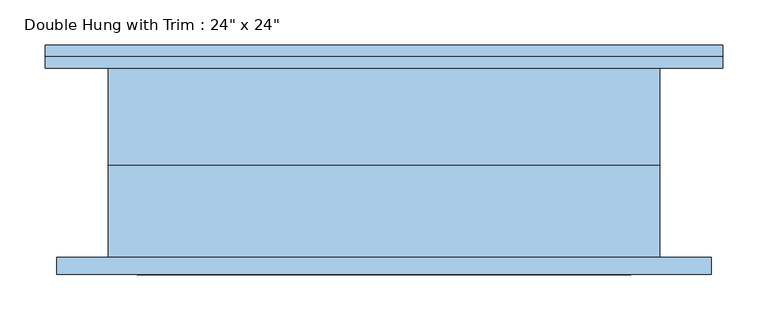
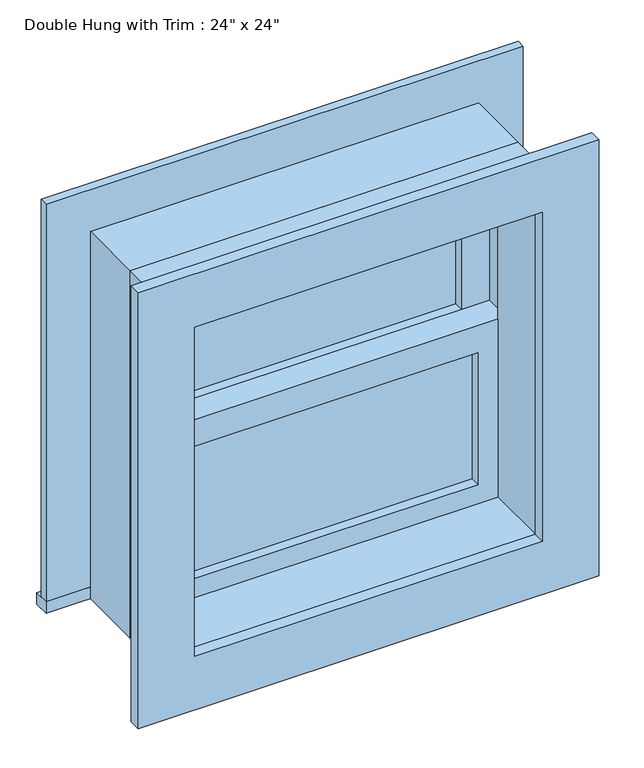
"""IFC4 building model written with IfcOpenShell, lengths in millimetres: window geometry."""

from ifc_helpers import new_model, si_unit, frame, origin, place, context, project, spatial, polyline, outline, extrude, source, transform, mapped, element, save


def window_641b191e(model_context):
    return source(origin(), model_context, "Body", "SweptSolid", [
        extrude(outline(polyline([(-241.3, 25.4), (241.3, 25.4), (241.3, 12.7), (-241.3, 12.7), (-241.3, 25.4)])), frame((0.0, 0.0, 977.9), z_axis=(0.0, 0.0, 1.0), x_axis=(1.0, 0.0, 0.0)), (0.0, 0.0, 1.0), 219.075),
        extrude(outline(polyline([(1241.425, -285.75), (933.45, -285.75), (933.45, 285.75), (1241.425, 285.75), (1241.425, -285.75)]), holes=[polyline([(1196.975, -241.3), (1196.975, 241.3), (977.9, 241.3), (977.9, -241.3), (1196.975, -241.3)])]), frame((0.0, -3.175, 0.0), z_axis=(0.0, 1.0, 0.0), x_axis=(0.0, 0.0, 1.0)), (0.0, 0.0, 1.0), 44.45),
        extrude(outline(polyline([(-374.65, 130.175), (374.65, 130.175), (374.65, 104.775), (-374.65, 104.775), (-374.65, 130.175)])), frame((0.0, 0.0, 914.4), z_axis=(0.0, 0.0, 1.0), x_axis=(1.0, 0.0, 0.0)), (0.0, 0.0, 1.0), 19.05),
        extrude(outline(polyline([(1504.95, -285.75), (1504.95, 285.75), (933.45, 285.75), (933.45, 374.65), (1593.85, 374.65), (1593.85, -374.65), (933.45, -374.65), (933.45, -285.75), (1504.95, -285.75)])), frame((0.0, 104.775, 0.0), z_axis=(0.0, 1.0, 0.0), x_axis=(0.0, 0.0, 1.0)), (0.0, 0.0, 1.0), 12.7),
        extrude(outline(polyline([(1581.15, 361.95), (1581.15, -361.95), (857.25, -361.95), (857.25, 361.95), (1581.15, 361.95)]), holes=[polyline([(1492.25, 273.05), (946.15, 273.05), (946.15, -273.05), (1492.25, -273.05), (1492.25, 273.05)])]), frame((0.0, -123.825, 0.0), z_axis=(0.0, 1.0, 0.0), x_axis=(0.0, 0.0, 1.0)), (0.0, 0.0, 1.0), 19.05),
        extrude(outline(polyline([(241.3, 57.15), (-241.3, 57.15), (-241.3, 69.85), (241.3, 69.85), (241.3, 57.15)])), frame((0.0, 0.0, 1241.425), z_axis=(0.0, 0.0, 1.0), x_axis=(1.0, 0.0, 0.0)), (0.0, 0.0, 1.0), 219.075),
        extrude(outline(polyline([(1504.95, -285.75), (1196.975, -285.75), (1196.975, 285.75), (1504.95, 285.75), (1504.95, -285.75)]), holes=[polyline([(1460.5, -241.3), (1460.5, 241.3), (1241.425, 241.3), (1241.425, -241.3), (1460.5, -241.3)])]), frame((0.0, 41.275, 0.0), z_axis=(0.0, 1.0, 0.0), x_axis=(0.0, 0.0, 1.0)), (0.0, 0.0, 1.0), 44.45),
        extrude(outline(polyline([(1524.0, -304.8), (914.4, -304.8), (914.4, 304.8), (1524.0, 304.8), (1524.0, -304.8)]), holes=[polyline([(1492.25, -273.05), (1492.25, 273.05), (946.15, 273.05), (946.15, -273.05), (1492.25, -273.05)])]), frame((0.0, -104.775, 0.0), z_axis=(0.0, 1.0, 0.0), x_axis=(0.0, 0.0, 1.0)), (0.0, 0.0, 1.0), 101.6),
        extrude(outline(polyline([(1524.0, 304.8), (1524.0, -304.8), (914.4, -304.8), (914.4, 304.8), (1524.0, 304.8)]), holes=[polyline([(1504.95, 285.75), (933.45, 285.75), (933.45, -285.75), (1504.95, -285.75), (1504.95, 285.75)])]), frame((0.0, -3.175, 0.0), z_axis=(0.0, 1.0, 0.0), x_axis=(0.0, 0.0, 1.0)), (0.0, 0.0, 1.0), 107.95),
    ])


if __name__ == "__main__":
    model = new_model("IFC4")
    model_context = context("Model", 3, world=origin())
    ifc_project = project(units=[si_unit("LENGTHUNIT", "METRE", prefix="MILLI")], contexts=[model_context])
    site = spatial("IfcSite", under=ifc_project)
    building = spatial("IfcBuilding", under=site)
    placement = place(None, origin())
    window_shape = window_641b191e(model_context)
    element("IfcWindow", 1, ObjectType="Double Hung with Trim : 24\" x 24\"", at=placement, inside=building, context=model_context, shape_type="MappedRepresentation", body=[
        mapped(window_shape, transform((0.0, 0.0, 0.0), x_axis=(1.0, 0.0, 0.0), y_axis=(0.0, 1.0, 0.0), z_axis=(0.0, 0.0, 1.0))),
    ])
    save(model, "model.ifc")
